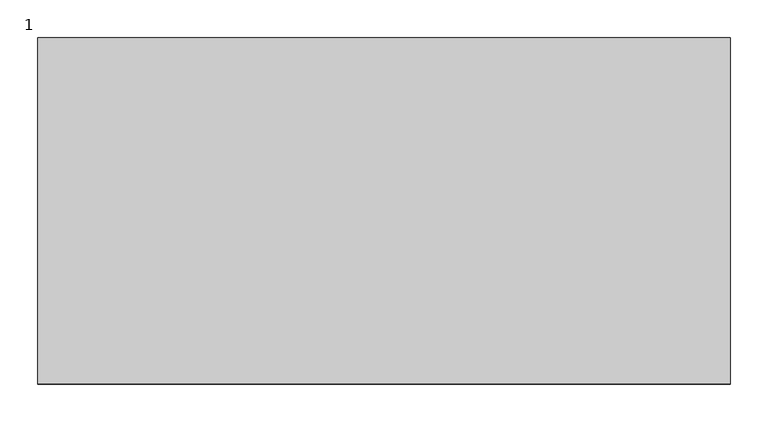
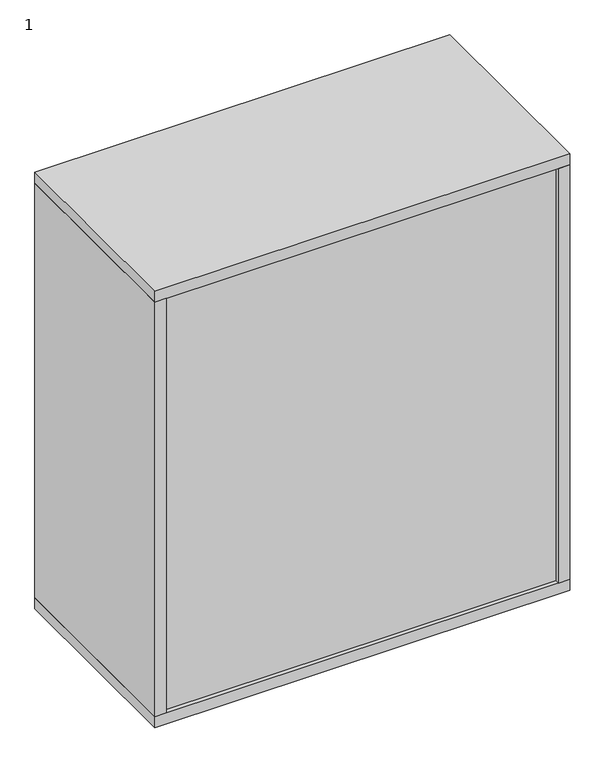
"""IFC4 building model written with IfcOpenShell, lengths in millimetres: furniture geometry, 1."""

from ifc_helpers import new_model, si_unit, point, frame, frame_2d, origin, origin_with_axes, place, context, project, spatial, polyline, circle_curve, trimmed, segment, composite_curve, outline, extrude, source, transform, mapped, element, save


def furniture_1_ffb54e0e(model_context):
    return source(origin(), model_context, "Body", "SweptSolid", [
        extrude(outline(polyline([(889.0, 12.7), (889.0, 9.7487804), (25.4, 9.7487804), (25.4, 12.7), (889.0, 12.7)])), frame((0.0, 0.0, 38.1), z_axis=(0.0, 0.0, 1.0), x_axis=(1.0, 0.0, 0.0)), (0.0, 0.0, 1.0), 965.2),
        extrude(outline(polyline([(889.0, 0.0), (889.0, 457.2), (914.4, 457.2), (914.4, 0.0), (889.0, 0.0)])), frame((0.0, 0.0, 38.1), z_axis=(0.0, 0.0, 1.0), x_axis=(1.0, 0.0, 0.0)), (0.0, 0.0, 1.0), 965.2),
        extrude(outline(polyline([(25.4, 457.2), (25.4, 0.0), (0.0, 0.0), (0.0, 457.2), (25.4, 457.2)])), frame((0.0, 0.0, 38.1), z_axis=(0.0, 0.0, 1.0), x_axis=(1.0, 0.0, 0.0)), (0.0, 0.0, 1.0), 965.2),
        extrude(outline(polyline([(914.4, 0.0), (0.0, 0.0), (0.0, 457.2), (914.4, 457.2), (914.4, 0.0)])), frame((0.0, 0.0, 1003.3), z_axis=(0.0, 0.0, 1.0), x_axis=(1.0, 0.0, 0.0)), (0.0, 0.0, 1.0), 25.4),
        extrude(outline(polyline([(914.4, 457.2), (914.4, 0.0), (0.0, 0.0), (0.0, 457.2), (914.4, 457.2)])), frame((0.0, 0.0, 12.7), z_axis=(0.0, 0.0, 1.0), x_axis=(1.0, 0.0, 0.0)), (0.0, 0.0, 1.0), 25.4),
        extrude(outline(polyline([(889.0, 457.2), (889.0, 12.7), (25.4, 12.7), (25.4, 457.2), (889.0, 457.2)])), frame((0.0, 0.0, 342.9), z_axis=(0.0, 0.0, 1.0), x_axis=(1.0, 0.0, 0.0)), (0.0, 0.0, 1.0), 25.4),
        extrude(outline(polyline([(889.0, 457.2), (889.0, 12.7), (25.4, 12.7), (25.4, 457.2), (889.0, 457.2)])), frame((0.0, 0.0, 673.1), z_axis=(0.0, 0.0, 1.0), x_axis=(1.0, 0.0, 0.0)), (0.0, 0.0, 1.0), 25.4),
        extrude(outline(composite_curve([segment(trimmed(circle_curve(frame_2d((28.5450835, 863.6)), 0.9921875), [point((28.5450835, 864.5921875))], [point((28.5450835, 862.6078125))], False, "CARTESIAN"), True, "CONTINUOUS"), segment(trimmed(circle_curve(frame_2d((28.5450835, 863.6)), 0.9921875), [point((28.5450835, 862.6078125))], [point((28.5450835, 864.5921875))], False, "CARTESIAN"), True, "CONTINUOUS")], self_intersect=False)), frame((0.0, 379.9362915, 0.0), z_axis=(0.0, 1.0, 0.0), x_axis=(0.0, 0.0, 1.0)), (0.0, 0.0, 1.0), 53.0422756),
        extrude(outline(polyline([(12.7, 832.6896756), (11.7078125, 854.6518893), (11.7078125, 874.0068204), (12.7, 874.0068204), (12.7, 832.6896756)])), frame((0.0, 433.6521748, 0.0), z_axis=(0.0, 1.0, 0.0), x_axis=(0.0, 0.0, 1.0)), (0.0, 0.0, 1.0), 0.9921875),
        extrude(outline(composite_curve([segment(trimmed(circle_curve(frame_2d((28.5450835, 50.8)), 0.9921875), [point((28.5450835, 49.8078125))], [point((28.5450835, 51.7921875))], False, "CARTESIAN"), True, "CONTINUOUS"), segment(trimmed(circle_curve(frame_2d((28.5450835, 50.8)), 0.9921875), [point((28.5450835, 51.7921875))], [point((28.5450835, 49.8078125))], False, "CARTESIAN"), True, "CONTINUOUS")], self_intersect=False)), frame((0.0, 379.9362915, 0.0), z_axis=(0.0, 1.0, 0.0), x_axis=(0.0, 0.0, 1.0)), (0.0, 0.0, 1.0), 53.0422756),
        extrude(outline(polyline([(12.7, 81.7103244), (12.7, 40.3931796), (11.7078125, 40.3931796), (11.7078125, 59.7481107), (12.7, 81.7103244)])), frame((0.0, 433.6521748, 0.0), z_axis=(0.0, 1.0, 0.0), x_axis=(0.0, 0.0, 1.0)), (0.0, 0.0, 1.0), 0.9921875),
        extrude(outline(composite_curve([segment(trimmed(circle_curve(frame_2d((28.5450835, 863.6)), 0.9921875), [point((28.5450835, 864.5921875))], [point((28.5450835, 862.6078125))], False, "CARTESIAN"), True, "CONTINUOUS"), segment(trimmed(circle_curve(frame_2d((28.5450835, 863.6)), 0.9921875), [point((28.5450835, 862.6078125))], [point((28.5450835, 864.5921875))], False, "CARTESIAN"), True, "CONTINUOUS")], self_intersect=False)), frame((0.0, 24.2214329, 0.0), z_axis=(0.0, 1.0, 0.0), x_axis=(0.0, 0.0, 1.0)), (0.0, 0.0, 1.0), 53.0422756),
        extrude(outline(polyline([(12.7, 832.6896756), (11.7078125, 854.6518893), (11.7078125, 874.0068204), (12.7, 874.0068204), (12.7, 832.6896756)])), frame((0.0, 22.5556377, 0.0), z_axis=(0.0, 1.0, 0.0), x_axis=(0.0, 0.0, 1.0)), (0.0, 0.0, 1.0), 0.9921875),
        extrude(outline(composite_curve([segment(trimmed(circle_curve(frame_2d((28.5450835, 50.8)), 0.9921875), [point((28.5450835, 49.8078125))], [point((28.5450835, 51.7921875))], False, "CARTESIAN"), True, "CONTINUOUS"), segment(trimmed(circle_curve(frame_2d((28.5450835, 50.8)), 0.9921875), [point((28.5450835, 51.7921875))], [point((28.5450835, 49.8078125))], False, "CARTESIAN"), True, "CONTINUOUS")], self_intersect=False)), frame((0.0, 24.2214329, 0.0), z_axis=(0.0, 1.0, 0.0), x_axis=(0.0, 0.0, 1.0)), (0.0, 0.0, 1.0), 53.0422756),
        extrude(outline(polyline([(12.7, 81.7103244), (12.7, 40.3931796), (11.7078125, 40.3931796), (11.7078125, 59.7481107), (12.7, 81.7103244)])), frame((0.0, 22.5556377, 0.0), z_axis=(0.0, 1.0, 0.0), x_axis=(0.0, 0.0, 1.0)), (0.0, 0.0, 1.0), 0.9921875),
        extrude(outline(composite_curve([segment(trimmed(circle_curve(frame_2d((850.9, 406.4)), 15.9254799), [point((866.8254799, 406.4))], [point((834.9745201, 406.4))], False, "CARTESIAN"), True, "CONTINUOUS"), segment(trimmed(circle_curve(frame_2d((850.9, 406.4)), 15.9254799), [point((834.9745201, 406.4))], [point((866.8254799, 406.4))], False, "CARTESIAN"), True, "CONTINUOUS")], self_intersect=False)), origin_with_axes(), (0.0, 0.0, 1.0), 7.9375),
        extrude(outline(composite_curve([segment(trimmed(circle_curve(frame_2d((850.9, 406.4)), 10.16), [point((861.06, 406.4))], [point((840.74, 406.4))], False, "CARTESIAN"), True, "CONTINUOUS"), segment(trimmed(circle_curve(frame_2d((850.9, 406.4)), 10.16), [point((840.74, 406.4))], [point((861.06, 406.4))], False, "CARTESIAN"), True, "CONTINUOUS")], self_intersect=False)), frame((0.0, 0.0, 7.9375), z_axis=(0.0, 0.0, 1.0), x_axis=(1.0, 0.0, 0.0)), (0.0, 0.0, 1.0), 4.7625),
        extrude(outline(composite_curve([segment(trimmed(circle_curve(frame_2d((850.9, 50.8)), 15.9254799), [point((866.8254799, 50.8))], [point((834.9745201, 50.8))], False, "CARTESIAN"), True, "CONTINUOUS"), segment(trimmed(circle_curve(frame_2d((850.9, 50.8)), 15.9254799), [point((834.9745201, 50.8))], [point((866.8254799, 50.8))], False, "CARTESIAN"), True, "CONTINUOUS")], self_intersect=False)), origin_with_axes(), (0.0, 0.0, 1.0), 7.9375),
        extrude(outline(composite_curve([segment(trimmed(circle_curve(frame_2d((850.9, 50.8)), 10.16), [point((861.06, 50.8))], [point((840.74, 50.8))], False, "CARTESIAN"), True, "CONTINUOUS"), segment(trimmed(circle_curve(frame_2d((850.9, 50.8)), 10.16), [point((840.74, 50.8))], [point((861.06, 50.8))], False, "CARTESIAN"), True, "CONTINUOUS")], self_intersect=False)), frame((0.0, 0.0, 7.9375), z_axis=(0.0, 0.0, 1.0), x_axis=(1.0, 0.0, 0.0)), (0.0, 0.0, 1.0), 4.7625),
        extrude(outline(composite_curve([segment(trimmed(circle_curve(frame_2d((63.5, 406.4)), 15.9254799), [point((47.5745201, 406.4))], [point((79.4254799, 406.4))], False, "CARTESIAN"), True, "CONTINUOUS"), segment(trimmed(circle_curve(frame_2d((63.5, 406.4)), 15.9254799), [point((79.4254799, 406.4))], [point((47.5745201, 406.4))], False, "CARTESIAN"), True, "CONTINUOUS")], self_intersect=False)), origin_with_axes(), (0.0, 0.0, 1.0), 7.9375),
        extrude(outline(composite_curve([segment(trimmed(circle_curve(frame_2d((63.5, 406.4)), 10.16), [point((53.34, 406.4))], [point((73.66, 406.4))], False, "CARTESIAN"), True, "CONTINUOUS"), segment(trimmed(circle_curve(frame_2d((63.5, 406.4)), 10.16), [point((73.66, 406.4))], [point((53.34, 406.4))], False, "CARTESIAN"), True, "CONTINUOUS")], self_intersect=False)), frame((0.0, 0.0, 7.9375), z_axis=(0.0, 0.0, 1.0), x_axis=(1.0, 0.0, 0.0)), (0.0, 0.0, 1.0), 4.7625),
        extrude(outline(composite_curve([segment(trimmed(circle_curve(frame_2d((63.5, 50.8)), 15.9254799), [point((47.5745201, 50.8))], [point((79.4254799, 50.8))], False, "CARTESIAN"), True, "CONTINUOUS"), segment(trimmed(circle_curve(frame_2d((63.5, 50.8)), 15.9254799), [point((79.4254799, 50.8))], [point((47.5745201, 50.8))], False, "CARTESIAN"), True, "CONTINUOUS")], self_intersect=False)), origin_with_axes(), (0.0, 0.0, 1.0), 7.9375),
        extrude(outline(composite_curve([segment(trimmed(circle_curve(frame_2d((63.5, 50.8)), 10.16), [point((53.34, 50.8))], [point((73.66, 50.8))], False, "CARTESIAN"), True, "CONTINUOUS"), segment(trimmed(circle_curve(frame_2d((63.5, 50.8)), 10.16), [point((73.66, 50.8))], [point((53.34, 50.8))], False, "CARTESIAN"), True, "CONTINUOUS")], self_intersect=False)), frame((0.0, 0.0, 7.9375), z_axis=(0.0, 0.0, 1.0), x_axis=(1.0, 0.0, 0.0)), (0.0, 0.0, 1.0), 4.7625),
    ])


if __name__ == "__main__":
    model = new_model("IFC4")
    model_context = context("Model", 3, world=origin())
    ifc_project = project(units=[si_unit("LENGTHUNIT", "METRE", prefix="MILLI")], contexts=[model_context])
    site = spatial("IfcSite", under=ifc_project)
    building = spatial("IfcBuilding", under=site)
    placement = place(None, origin())
    furniture_1_shape = furniture_1_ffb54e0e(model_context)
    element("IfcFurniture", 1, ObjectType="1", at=placement, inside=building, context=model_context, shape_type="MappedRepresentation", body=[
        mapped(furniture_1_shape, transform((0.0, 0.0, 0.0), x_axis=(1.0, 0.0, 0.0), y_axis=(0.0, 1.0, 0.0), z_axis=(0.0, 0.0, 1.0))),
    ])
    save(model, "model.ifc")
